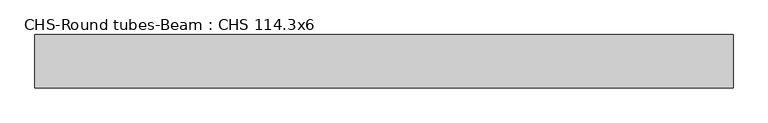
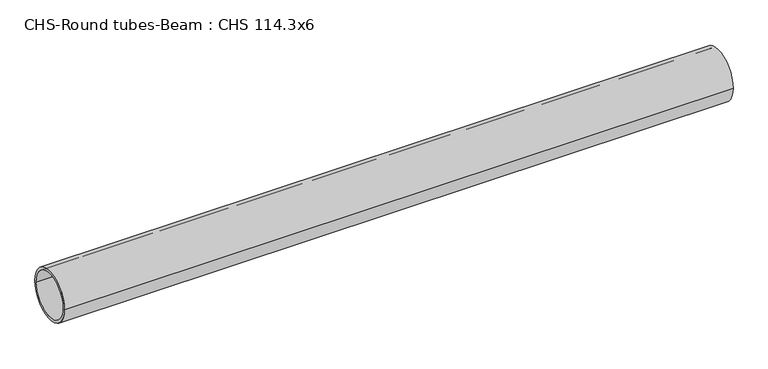
"""IFC4 building model written with IfcOpenShell, lengths in millimetres: beam geometry, CHS-Round tubes-Beam : CHS 114.3x6."""

from ifc_helpers import new_model, si_unit, point, frame, origin, origin_2d, place, context, project, spatial, circle_curve, trimmed, segment, composite_curve, outline, extrude, source, transform, mapped, element, save


def chs_round_tubes_beam_chs_114_3x6_74d9d4e1(model_context):
    return source(origin(), model_context, "Body", "SweptSolid", [
        extrude(outline(composite_curve([segment(trimmed(circle_curve(origin_2d(), 57.15), [point((57.15, 0.0))], [point((-57.15, 0.0))], False, "CARTESIAN"), True, "CONTINUOUS"), segment(trimmed(circle_curve(origin_2d(), 57.15), [point((-57.15, 0.0))], [point((57.15, 0.0))], False, "CARTESIAN"), True, "CONTINUOUS")], self_intersect=False), holes=[composite_curve([segment(trimmed(circle_curve(origin_2d(), 51.15), [point((51.15, 0.0))], [point((-51.15, 0.0))], True, "CARTESIAN"), True, "CONTINUOUS"), segment(trimmed(circle_curve(origin_2d(), 51.15), [point((-51.15, 0.0))], [point((51.15, 0.0))], True, "CARTESIAN"), True, "CONTINUOUS")], self_intersect=False)]), frame((-739.6966226, 0.0, 0.0), z_axis=(1.0, 0.0, 0.0), x_axis=(0.0, 1.0, 0.0)), (0.0, 0.0, 1.0), 1497.9745201),
    ])


if __name__ == "__main__":
    model = new_model("IFC4")
    model_context = context("Model", 3, world=origin())
    ifc_project = project(units=[si_unit("LENGTHUNIT", "METRE", prefix="MILLI")], contexts=[model_context])
    site = spatial("IfcSite", under=ifc_project)
    building = spatial("IfcBuilding", under=site)
    placement = place(None, origin())
    chs_round_tubes_beam_chs_114_3x6_shape = chs_round_tubes_beam_chs_114_3x6_74d9d4e1(model_context)
    element("IfcBeam", 1, ObjectType="CHS-Round tubes-Beam : CHS 114.3x6", at=placement, inside=building, context=model_context, shape_type="MappedRepresentation", body=[
        mapped(chs_round_tubes_beam_chs_114_3x6_shape, transform((0.0, 0.0, 0.0), x_axis=(1.0, 0.0, 0.0), y_axis=(0.0, 1.0, 0.0), z_axis=(0.0, 0.0, 1.0))),
    ])
    save(model, "model.ifc")
